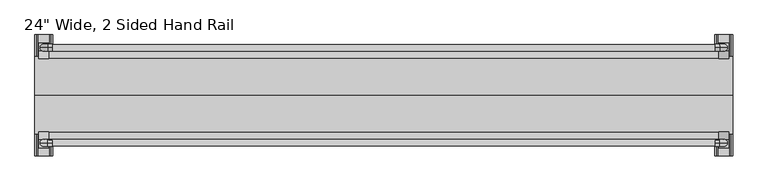
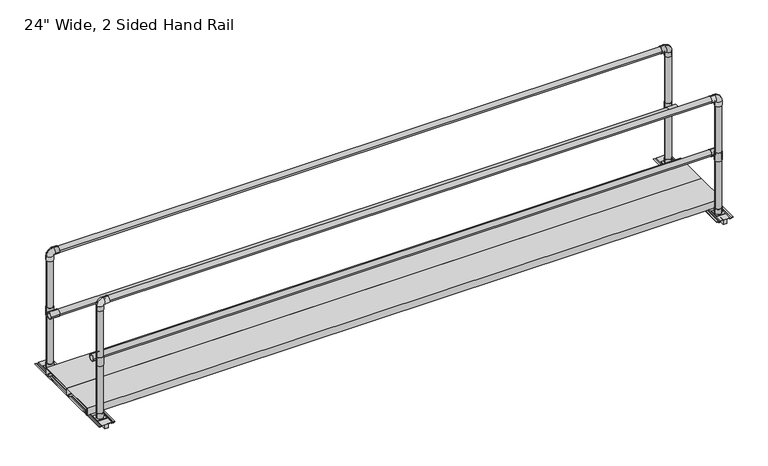
"""IFC4 building model written with IfcOpenShell, lengths in millimetres: proxy geometry."""

import ifcopenshell
import ifcopenshell.guid

model = None  # the IFC model being written
_history = None  # IfcOwnerHistory: only IFC2X3 demands one
_inside = {}  # id of a spatial element -> (the spatial element, [elements in it])
_under = {}  # id of a project, library or spatial element -> (it, [spatial elements below it])
_declared = {}  # id of a project -> (the project, [libraries it declares])
_typed = {}  # id of a type object -> (the type object, [elements of that type])
_made_of = {}  # id of a material, layer set ... -> (it, [elements and type objects made of it])


def new_model(schema):
    """Start an empty IFC model of exactly this schema.

    Asked for "IFC4X3", IfcOpenShell would pick the latest addendum, in which some entities
    have other attributes; the version numbers below select the first issue.
    IFC2X3 requires an IfcOwnerHistory on every rooted entity: one is made here for all.
    """
    global model, _history
    if schema == "IFC4X3":
        model = ifcopenshell.file(schema_version=(4, 3, 0, 0))
    else:
        model = ifcopenshell.file(schema=schema)
    _inside.clear()
    _under.clear()
    _declared.clear()
    _typed.clear()
    _made_of.clear()
    _history = None
    if model.schema == "IFC2X3":
        org = make("IfcOrganization", Name="unknown")
        user = make(
            "IfcPersonAndOrganization",
            ThePerson=make("IfcPerson", FamilyName="unknown"),
            TheOrganization=org,
        )
        app = make(
            "IfcApplication",
            ApplicationDeveloper=org,
            Version="unknown",
            ApplicationFullName="unknown",
            ApplicationIdentifier="unknown",
        )
        _history = make(
            "IfcOwnerHistory",
            OwningUser=user,
            OwningApplication=app,
            ChangeAction="ADDED",
            CreationDate=0,
        )
    return model


def make(cls, **values):
    """One entity of the class cls with the attributes given. An attribute that is None is left unset."""
    return model.create_entity(
        cls, **{name: value for name, value in values.items() if value is not None}
    )


def rooted(cls, **values):
    """An entity with a GlobalId (a new one), such as an element, a storey or a relation."""
    return make(cls, GlobalId=ifcopenshell.guid.new(), OwnerHistory=_history, **values)


def si_unit(unit_type, name, prefix=None):
    """IfcSIUnit, for example si_unit("LENGTHUNIT", "METRE", prefix="MILLI")."""
    return make("IfcSIUnit", UnitType=unit_type, Prefix=prefix, Name=name)


def assignment(units):
    """IfcUnitAssignment: the units of a project."""
    return None if units is None else make("IfcUnitAssignment", Units=units)


def point(xyz):
    """IfcCartesianPoint."""
    return None if xyz is None else make("IfcCartesianPoint", Coordinates=xyz)


def direction(xyz):
    """IfcDirection."""
    return None if xyz is None else make("IfcDirection", DirectionRatios=xyz)


def frame(location, z_axis=None, x_axis=None):
    """IfcAxis2Placement3D, a coordinate frame: its origin and axes. An axis left out is left unset."""
    return make(
        "IfcAxis2Placement3D",
        Location=point(location),
        Axis=direction(z_axis),
        RefDirection=direction(x_axis),
    )


def frame_2d(location, x_axis=None):
    """IfcAxis2Placement2D, a coordinate frame in the plane: its origin and x axis."""
    return make(
        "IfcAxis2Placement2D", Location=point(location), RefDirection=direction(x_axis)
    )


def origin():
    """The frame at (0, 0, 0) with its axes left unset."""
    return frame((0.0, 0.0, 0.0))


def place(relative_to, where):
    """IfcLocalPlacement: puts the frame where relative to a parent placement (None: the world)."""
    return make(
        "IfcLocalPlacement", PlacementRelTo=relative_to, RelativePlacement=where
    )


def context(
    kind, dimensions, precision=None, world=None, true_north=None, identifier=None
):
    """IfcGeometricRepresentationContext, for example the 3D "Model" context."""
    return make(
        "IfcGeometricRepresentationContext",
        ContextIdentifier=identifier,
        ContextType=kind,
        CoordinateSpaceDimension=dimensions,
        Precision=precision,
        WorldCoordinateSystem=world,
        TrueNorth=true_north,
    )


def project(units=None, contexts=None):
    """IfcProject with its units and contexts."""
    return rooted(
        "IfcProject",
        Name="project",
        RepresentationContexts=contexts,
        UnitsInContext=assignment(units),
    )


def spatial(cls, under=None, at=None, **own):
    """A site, building, storey or space (cls), placed at a placement, below another one or the project."""
    s = rooted(cls, ObjectPlacement=at, **own)
    if under is not None:
        _under.setdefault(under.id(), (under, []))[1].append(s)
    return s


def polyline(points):
    """IfcPolyline through the points."""
    return make("IfcPolyline", Points=[point(p) for p in points])


def circle_curve(where, radius):
    """IfcCircle in the frame where."""
    return make("IfcCircle", Position=where, Radius=radius)


def ellipse_curve(where, semi_axis1, semi_axis2):
    """IfcEllipse in the frame where."""
    return make(
        "IfcEllipse", Position=where, SemiAxis1=semi_axis1, SemiAxis2=semi_axis2
    )


def trimmed(basis, trim1, trim2, sense, master):
    """IfcTrimmedCurve: the piece of a basis curve between two trims."""
    return make(
        "IfcTrimmedCurve",
        BasisCurve=basis,
        Trim1=trim1,
        Trim2=trim2,
        SenseAgreement=sense,
        MasterRepresentation=master,
    )


def segment(curve, same_sense, transition):
    """IfcCompositeCurveSegment."""
    return make(
        "IfcCompositeCurveSegment",
        Transition=transition,
        SameSense=same_sense,
        ParentCurve=curve,
    )


def composite_curve(segments, self_intersect=None):
    """IfcCompositeCurve: segments joined end to end."""
    return make("IfcCompositeCurve", Segments=segments, SelfIntersect=self_intersect)


def outline(outer, holes=None, kind="AREA"):
    """IfcArbitraryClosedProfileDef: a profile drawn as a closed curve; with holes, ...WithVoids."""
    if holes is None:
        return make("IfcArbitraryClosedProfileDef", ProfileType=kind, OuterCurve=outer)
    return make(
        "IfcArbitraryProfileDefWithVoids",
        ProfileType=kind,
        OuterCurve=outer,
        InnerCurves=holes,
    )


def extrude(swept, where, along, depth):
    """IfcExtrudedAreaSolid: the profile swept, set in the frame where, extruded along a direction by depth."""
    return make(
        "IfcExtrudedAreaSolid",
        SweptArea=swept,
        Position=where,
        ExtrudedDirection=direction(along),
        Depth=depth,
    )


def shape(context_of_items, identifier, shape_type, items):
    """IfcShapeRepresentation: the items that make up one representation, for example the "Body"."""
    return make(
        "IfcShapeRepresentation",
        ContextOfItems=context_of_items,
        RepresentationIdentifier=identifier,
        RepresentationType=shape_type,
        Items=items,
    )


def source(mapping_origin, context_of_items, identifier, shape_type, items):
    """IfcRepresentationMap: a shape defined once, which mapped items show again and again."""
    return make(
        "IfcRepresentationMap",
        MappingOrigin=mapping_origin,
        MappedRepresentation=shape(context_of_items, identifier, shape_type, items),
    )


def transform(
    local_origin,
    x_axis=None,
    y_axis=None,
    z_axis=None,
    scale=None,
    scale2=None,
    scale3=None,
    uniform=True,
):
    """IfcCartesianTransformationOperator3D, or its non-uniform kind. x_axis, y_axis, z_axis: its Axis1, 2, 3."""
    if uniform:
        return make(
            "IfcCartesianTransformationOperator3D",
            Axis1=direction(x_axis),
            Axis2=direction(y_axis),
            LocalOrigin=point(local_origin),
            Scale=scale,
            Axis3=direction(z_axis),
        )
    return make(
        "IfcCartesianTransformationOperator3DnonUniform",
        Axis1=direction(x_axis),
        Axis2=direction(y_axis),
        LocalOrigin=point(local_origin),
        Scale=scale,
        Axis3=direction(z_axis),
        Scale2=scale2,
        Scale3=scale3,
    )


def mapped(mapping_source, mapping_target):
    """IfcMappedItem: shows the shape of a source again, moved by a transform."""
    return make(
        "IfcMappedItem", MappingSource=mapping_source, MappingTarget=mapping_target
    )


def made_of(thing, what):
    """Note that an element or type object is made of a material, layer set ...; save() writes the relation."""
    if what is not None:
        _made_of.setdefault(what.id(), (what, []))[1].append(thing)
    return thing


def element(
    cls,
    number,
    at=None,
    inside=None,
    cuts=None,
    type_object=None,
    material=None,
    context=None,
    identifier="Body",
    shape_type=None,
    held_by="IfcProductDefinitionShape",
    body=None,
    shapes=None,
    **own,
):
    """One element of the class cls, such as IfcWall. Its Tag is "e" and its number.

    at: its placement. inside: the storey or other place that contains it. cuts: it is an
    opening in that element (IfcRelVoidsElement). A single representation is given by context,
    identifier, shape_type and body (its items); several are given by shapes. held_by: the class
    of the entity that holds the representations. save() writes the other relations.
    """
    e = rooted(cls, Tag="e%d" % number, ObjectPlacement=at, **own)
    if body is not None:
        shapes = [shape(context, identifier, shape_type, body)]
    if shapes is not None:
        e.Representation = make(held_by, Representations=shapes)
    if inside is not None:
        _inside.setdefault(inside.id(), (inside, []))[1].append(e)
    if cuts is not None:
        rooted(
            "IfcRelVoidsElement", RelatingBuildingElement=cuts, RelatedOpeningElement=e
        )
    if type_object is not None:
        _typed.setdefault(type_object.id(), (type_object, []))[1].append(e)
    return made_of(e, material)


def aggregate(whole, parts):
    """IfcRelAggregates: a whole, such as a stair, and the parts it consists of."""
    return rooted("IfcRelAggregates", RelatingObject=whole, RelatedObjects=parts)


def save(model, path):
    """Write the relations noted so far, then the file.

    IfcRelAggregates (storeys below a building ...), IfcRelContainedInSpatialStructure (elements
    in a storey), IfcRelDefinesByType, IfcRelAssociatesMaterial and IfcRelDeclares: one each for
    every whole, place, type object, material and project.
    """
    for whole, parts in _under.values():
        aggregate(whole, parts)
    for where, things in _inside.values():
        rooted(
            "IfcRelContainedInSpatialStructure",
            RelatedElements=things,
            RelatingStructure=where,
        )
    for kind, things in _typed.values():
        rooted("IfcRelDefinesByType", RelatedObjects=things, RelatingType=kind)
    for what, things in _made_of.values():
        rooted("IfcRelAssociatesMaterial", RelatedObjects=things, RelatingMaterial=what)
    for by, libraries in _declared.values():
        rooted("IfcRelDeclares", RelatingContext=by, RelatedDefinitions=libraries)
    model.write(path)


def plane_surface(at):
    """IfcPlane: the flat surface through the origin of the frame at, square to its z axis."""
    return make("IfcPlane", Position=at)


def cylinder_surface(at, radius):
    """IfcCylindricalSurface: all points at the distance radius from the z axis of the frame at."""
    return make("IfcCylindricalSurface", Position=at, Radius=radius)


def revolved_surface(curve, axis_point, axis_direction):
    """IfcSurfaceOfRevolution: the curve turned about the line through axis_point along axis_direction."""
    return make(
        "IfcSurfaceOfRevolution",
        SweptCurve=make("IfcArbitraryOpenProfileDef", ProfileType="CURVE", Curve=curve),
        AxisPosition=make("IfcAxis1Placement", Location=point(axis_point), Axis=direction(axis_direction)),
    )


def advanced_brep(points, edges, surfaces, faces):
    """IfcAdvancedBrep: a solid bounded by faces that lie on surfaces and meet in shared edges.

    An edge is (start, end): straight between two places in points (the first is 0);
    or (start, end, curve); or (start, end, curve, False) where it runs against its curve.
    A face is (place in surfaces, loops), or (place, loops, False) where it looks against
    its surface's normal. A loop lists edges by number (the first is 1), with a minus sign
    where the edge is run from its end to its start. The first loop is the outer one.
    """
    corners = [point(p) for p in points]
    vertices = [make("IfcVertexPoint", VertexGeometry=c) for c in corners]
    made = []
    for start, end, *more in edges:
        made.append(
            make(
                "IfcEdgeCurve",
                EdgeStart=vertices[start],
                EdgeEnd=vertices[end],
                EdgeGeometry=more[0] if more else make("IfcPolyline", Points=[corners[start], corners[end]]),
                SameSense=more[1] if len(more) > 1 else True,
            )
        )
    hull = []
    for where, loops, *sense in faces:
        bounds = []
        for j, loop in enumerate(loops):
            ring = [make("IfcOrientedEdge", EdgeElement=made[abs(k) - 1], Orientation=k > 0) for k in loop]
            bounds.append(
                make(
                    "IfcFaceOuterBound" if j == 0 else "IfcFaceBound",
                    Bound=make("IfcEdgeLoop", EdgeList=ring),
                    Orientation=True,
                )
            )
        hull.append(make("IfcAdvancedFace", Bounds=bounds, FaceSurface=surfaces[where], SameSense=sense[0] if sense else True))
    return make("IfcAdvancedBrep", Outer=make("IfcClosedShell", CfsFaces=hull))


def proxy_fb70e37e(model_context):
    return source(origin(), model_context, "Body", "SolidModel", [
        extrude(outline(composite_curve([segment(trimmed(circle_curve(frame_2d((5416.55, 374.65)), 28.575), [point((5387.975, 374.65))], [point((5445.125, 374.65))], False, "CARTESIAN"), True, "CONTINUOUS"), segment(trimmed(circle_curve(frame_2d((5416.55, 374.65)), 28.575), [point((5445.125, 374.65))], [point((5387.975, 374.65))], False, "CARTESIAN"), True, "CONTINUOUS")], self_intersect=False), holes=[composite_curve([segment(trimmed(circle_curve(frame_2d((5416.55, 374.65)), 25.4), [point((5391.15, 374.65))], [point((5441.95, 374.65))], True, "CARTESIAN"), True, "CONTINUOUS"), segment(trimmed(circle_curve(frame_2d((5416.55, 374.65)), 25.4), [point((5441.95, 374.65))], [point((5391.15, 374.65))], True, "CARTESIAN"), True, "CONTINUOUS")], self_intersect=False)]), frame((0.0, 0.0, 4590.9507813), z_axis=(0.0, 0.0, 1.0), x_axis=(1.0, 0.0, 0.0)), (0.0, 0.0, 1.0), 50.8),
        extrude(outline(composite_curve([segment(trimmed(circle_curve(frame_2d((5416.55, -374.65)), 28.575), [point((5387.975, -374.65))], [point((5445.125, -374.65))], False, "CARTESIAN"), True, "CONTINUOUS"), segment(trimmed(circle_curve(frame_2d((5416.55, -374.65)), 28.575), [point((5445.125, -374.65))], [point((5387.975, -374.65))], False, "CARTESIAN"), True, "CONTINUOUS")], self_intersect=False), holes=[composite_curve([segment(trimmed(circle_curve(frame_2d((5416.55, -374.65)), 25.4), [point((5391.15, -374.65))], [point((5441.95, -374.65))], True, "CARTESIAN"), True, "CONTINUOUS"), segment(trimmed(circle_curve(frame_2d((5416.55, -374.65)), 25.4), [point((5441.95, -374.65))], [point((5391.15, -374.65))], True, "CARTESIAN"), True, "CONTINUOUS")], self_intersect=False)]), frame((0.0, 0.0, 4590.9507813), z_axis=(0.0, 0.0, 1.0), x_axis=(1.0, 0.0, 0.0)), (0.0, 0.0, 1.0), 50.8),
        extrude(outline(polyline([(5378.45, 336.55), (5378.45, 412.75), (5454.65, 412.75), (5454.65, 336.55), (5378.45, 336.55)])), frame((0.0, 0.0, 4590.9507813), z_axis=(0.0, 0.0, 1.0), x_axis=(1.0, 0.0, 0.0)), (0.0, 0.0, 1.0), 4.7625),
        extrude(outline(polyline([(5378.45, -412.75), (5378.45, -336.55), (5454.65, -336.55), (5454.65, -412.75), (5378.45, -412.75)])), frame((0.0, 0.0, 4590.9507813), z_axis=(0.0, 0.0, 1.0), x_axis=(1.0, 0.0, 0.0)), (0.0, 0.0, 1.0), 4.7625),
        extrude(outline(polyline([(4589.3632812, 5375.671875), (4589.3632812, 5457.428125), (4583.0132812, 5457.428125), (4583.0132812, 5476.478125), (4589.3632812, 5476.478125), (4589.3632812, 5486.4), (4590.9507812, 5486.4), (4590.9507812, 5474.890625), (4584.6007812, 5474.890625), (4584.6007812, 5459.015625), (4590.9507812, 5459.015625), (4590.9507812, 5374.084375), (4584.6007812, 5374.084375), (4584.6007812, 5358.209375), (4590.9507812, 5358.209375), (4590.9507812, 5346.7), (4589.3632812, 5346.7), (4589.3632812, 5356.621875), (4583.0132812, 5356.621875), (4583.0132812, 5375.671875), (4589.3632812, 5375.671875)])), frame((0.0, -476.25, 0.0), z_axis=(0.0, 1.0, 0.0), x_axis=(0.0, 0.0, 1.0)), (0.0, 0.0, 1.0), 952.5),
        extrude(outline(polyline([(5431.63125, 438.15), (5401.46875, 438.15), (5401.46875, 476.25), (5431.63125, 476.25), (5431.63125, 438.15)])), frame((0.0, 0.0, 4551.2632812), z_axis=(0.0, 0.0, 1.0), x_axis=(1.0, 0.0, 0.0)), (0.0, 0.0, 1.0), 38.1),
        extrude(outline(polyline([(5431.63125, -476.25), (5401.46875, -476.25), (5401.46875, -438.15), (5431.63125, -438.15), (5431.63125, -476.25)])), frame((0.0, 0.0, 4551.2632812), z_axis=(0.0, 0.0, 1.0), x_axis=(1.0, 0.0, 0.0)), (0.0, 0.0, 1.0), 38.1),
        extrude(outline(composite_curve([segment(trimmed(circle_curve(frame_2d((5416.55, 374.65)), 25.4), [point((5391.15, 374.65))], [point((5441.95, 374.65))], False, "CARTESIAN"), True, "CONTINUOUS"), segment(trimmed(circle_curve(frame_2d((5416.55, 374.65)), 25.4), [point((5441.95, 374.65))], [point((5391.15, 374.65))], False, "CARTESIAN"), True, "CONTINUOUS")], self_intersect=False)), frame((0.0, 0.0, 4590.9507813), z_axis=(0.0, 0.0, 1.0), x_axis=(1.0, 0.0, 0.0)), (0.0, 0.0, 1.0), 1030.2875),
        extrude(outline(composite_curve([segment(trimmed(circle_curve(frame_2d((5416.55, -374.65)), 25.4), [point((5391.15, -374.65))], [point((5441.95, -374.65))], False, "CARTESIAN"), True, "CONTINUOUS"), segment(trimmed(circle_curve(frame_2d((5416.55, -374.65)), 25.4), [point((5441.95, -374.65))], [point((5391.15, -374.65))], False, "CARTESIAN"), True, "CONTINUOUS")], self_intersect=False)), frame((0.0, 0.0, 4590.9507813), z_axis=(0.0, 0.0, 1.0), x_axis=(1.0, 0.0, 0.0)), (0.0, 0.0, 1.0), 1030.2875),
        advanced_brep(
        [(5387.975, -374.65, 5581.5507813), (5445.125, -374.65, 5581.5507813), (5391.15, -374.65, 5581.5507813), (5441.95, -374.65, 5581.5507813), (5391.15, -374.65, 5619.6507813), (5441.95, -374.65, 5619.6507813), (5387.975, -374.65, 5619.6507813), (5445.125, -374.65, 5619.6507813), (5386.3875, -374.65, 5675.2132812), (5386.3875, -374.65, 5624.4132813), (5386.3875, -374.65, 5678.3882812), (5386.3875, -374.65, 5621.2382813), (5348.2875, -374.65, 5621.2382813), (5348.2875, -374.65, 5678.3882812), (5348.2875, -374.65, 5624.4132813), (5348.2875, -374.65, 5675.2132812)],
        [
            (0, 1, circle_curve(frame((5416.55, -374.65, 5581.5507813), z_axis=(0.0, 0.0, -1.0), x_axis=(1.0, 0.0, 0.0)), 28.575)),
            (1, 0, circle_curve(frame((5416.55, -374.65, 5581.5507813), z_axis=(0.0, 0.0, -1.0), x_axis=(1.0, 0.0, 0.0)), 28.575)),
            (2, 3, circle_curve(frame((5416.55, -374.65, 5581.5507813), z_axis=(0.0, 0.0, 1.0), x_axis=(1.0, 0.0, 0.0)), 25.4)),
            (3, 2, circle_curve(frame((5416.55, -374.65, 5581.5507813), z_axis=(0.0, 0.0, 1.0), x_axis=(1.0, 0.0, 0.0)), 25.4)),
            (2, 4),
            (4, 5, circle_curve(frame((5416.55, -374.65, 5619.6507813), z_axis=(0.0, 0.0, 1.0), x_axis=(1.0, 0.0, 0.0)), 25.4)),
            (5, 3),
            (5, 4, circle_curve(frame((5416.55, -374.65, 5619.6507813), z_axis=(0.0, 0.0, 1.0), x_axis=(1.0, 0.0, 0.0)), 25.4)),
            (0, 6),
            (6, 7, circle_curve(frame((5416.55, -374.65, 5619.6507813), z_axis=(0.0, 0.0, -1.0), x_axis=(1.0, 0.0, 0.0)), 28.575)),
            (7, 1),
            (7, 6, circle_curve(frame((5416.55, -374.65, 5619.6507813), z_axis=(0.0, 0.0, -1.0), x_axis=(1.0, 0.0, 0.0)), 28.575)),
            (8, 5, circle_curve(frame((5386.3875, -374.65, 5619.6507813), z_axis=(0.0, 1.0, 0.0), x_axis=(1.0, 0.0, 0.0)), 55.5625)),
            (4, 9, circle_curve(frame((5386.3875, -374.65, 5619.6507813), z_axis=(0.0, -1.0, 0.0), x_axis=(1.0, 0.0, 0.0)), 4.7625)),
            (9, 8, circle_curve(frame((5386.3875, -374.65, 5649.8132813), z_axis=(-1.0, 0.0, 0.0), x_axis=(0.0, 0.0, 1.0)), 25.4)),
            (8, 9, circle_curve(frame((5386.3875, -374.65, 5649.8132813), z_axis=(-1.0, 0.0, 0.0), x_axis=(0.0, 0.0, 1.0)), 25.4)),
            (10, 7, circle_curve(frame((5386.3875, -374.65, 5619.6507813), z_axis=(0.0, 1.0, 0.0), x_axis=(1.0, 0.0, 0.0)), 58.7375)),
            (6, 11, circle_curve(frame((5386.3875, -374.65, 5619.6507813), z_axis=(0.0, -1.0, 0.0), x_axis=(1.0, 0.0, 0.0)), 1.5875)),
            (11, 10, circle_curve(frame((5386.3875, -374.65, 5649.8132813), z_axis=(1.0, 0.0, 0.0), x_axis=(0.0, 0.0, 1.0)), 28.575)),
            (10, 11, circle_curve(frame((5386.3875, -374.65, 5649.8132813), z_axis=(1.0, 0.0, 0.0), x_axis=(0.0, 0.0, 1.0)), 28.575)),
            (12, 13, circle_curve(frame((5348.2875, -374.65, 5649.8132813), z_axis=(-1.0, 0.0, 0.0), x_axis=(0.0, 0.0, 1.0)), 28.575)),
            (13, 12, circle_curve(frame((5348.2875, -374.65, 5649.8132813), z_axis=(-1.0, 0.0, 0.0), x_axis=(0.0, 0.0, 1.0)), 28.575)),
            (14, 15, circle_curve(frame((5348.2875, -374.65, 5649.8132813), z_axis=(1.0, 0.0, 0.0), x_axis=(0.0, 0.0, 1.0)), 25.4)),
            (15, 14, circle_curve(frame((5348.2875, -374.65, 5649.8132813), z_axis=(1.0, 0.0, 0.0), x_axis=(0.0, 0.0, 1.0)), 25.4)),
            (9, 14),
            (15, 8),
            (11, 12),
            (13, 10),
        ],
        [
            plane_surface(frame((5416.55, -374.65, 5581.5507813), z_axis=(0.0, 0.0, -1.0), x_axis=(0.0, 1.0, 0.0))),
            revolved_surface(polyline([(5441.95, -374.65, 5619.6507813), (5441.95, -374.65, 5581.5507813)]), (5416.55, -374.65, 5581.5507813), (0.0, 0.0, 1.0)),
            cylinder_surface(frame((5416.55, -374.65, 5581.5507813), z_axis=(0.0, 0.0, -1.0), x_axis=(1.0, 0.0, 0.0)), 28.575),
            revolved_surface(trimmed(ellipse_curve(frame((5416.55, -374.65, 5619.6507813), z_axis=(0.0, 0.0, 1.0), x_axis=(1.0, 0.0, 0.0)), 25.4, 25.4), [point((5391.15, -374.65, 5619.6507813))], [point((5441.95, -374.65, 5619.6507813))], True, "CARTESIAN"), (5386.3875, -374.65, 5619.6507813), (0.0, -1.0, 0.0)),
            revolved_surface(trimmed(ellipse_curve(frame((5416.55, -374.65, 5619.6507813), z_axis=(0.0, 0.0, 1.0), x_axis=(1.0, 0.0, 0.0)), 25.4, 25.4), [point((5441.95, -374.65, 5619.6507813))], [point((5391.15, -374.65, 5619.6507813))], True, "CARTESIAN"), (5386.3875, -374.65, 5619.6507813), (0.0, -1.0, 0.0)),
            revolved_surface(trimmed(ellipse_curve(frame((5416.55, -374.65, 5619.6507813), z_axis=(0.0, 0.0, -1.0), x_axis=(1.0, 0.0, 0.0)), 28.575, 28.575), [point((5387.975, -374.65, 5619.6507813))], [point((5445.125, -374.65, 5619.6507813))], True, "CARTESIAN"), (5386.3875, -374.65, 5619.6507813), (0.0, -1.0, 0.0)),
            revolved_surface(trimmed(ellipse_curve(frame((5416.55, -374.65, 5619.6507813), z_axis=(0.0, 0.0, -1.0), x_axis=(1.0, 0.0, 0.0)), 28.575, 28.575), [point((5445.125, -374.65, 5619.6507813))], [point((5387.975, -374.65, 5619.6507813))], True, "CARTESIAN"), (5386.3875, -374.65, 5619.6507813), (0.0, -1.0, 0.0)),
            plane_surface(frame((5348.2875, -374.65, 5649.8132813), z_axis=(-1.0, 0.0, 0.0), x_axis=(0.0, 1.0, 0.0))),
            revolved_surface(polyline([(5348.2875, -374.65, 5675.2132813), (5386.3875, -374.65, 5675.2132813)]), (5386.3875, -374.65, 5649.8132813), (-1.0, 0.0, 0.0)),
            cylinder_surface(frame((5386.3875, -374.65, 5649.8132813), z_axis=(1.0, 0.0, 0.0), x_axis=(0.0, 0.0, 1.0)), 28.575),
        ],
        [
            (0, [[1, 2], [3, 4]]),
            (1, [[-3, 5, 6, 7]]),
            (1, [[-4, -7, 8, -5]]),
            (2, [[-1, 9, 10, 11]]),
            (2, [[-2, -11, 12, -9]]),
            (3, [[13, -6, 14, 15]]),
            (4, [[-14, -8, -13, 16]]),
            (5, [[17, -10, 18, 19]]),
            (6, [[-18, -12, -17, 20]]),
            (7, [[21, 22], [23, 24]]),
            (8, [[-15, 25, -24, 26]]),
            (8, [[-16, -26, -23, -25]]),
            (9, [[-19, 27, -22, 28]]),
            (9, [[-20, -28, -21, -27]]),
        ],
    ),
        advanced_brep(
        [(5348.2875, 374.65, 5621.2382813), (5348.2875, 374.65, 5678.3882812), (5348.2875, 374.65, 5624.4132813), (5348.2875, 374.65, 5675.2132812), (5386.3875, 374.65, 5624.4132813), (5386.3875, 374.65, 5675.2132812), (5386.3875, 374.65, 5621.2382813), (5386.3875, 374.65, 5678.3882812), (5387.975, 374.65, 5581.5507813), (5445.125, 374.65, 5581.5507813), (5391.15, 374.65, 5581.5507813), (5441.95, 374.65, 5581.5507813), (5441.95, 374.65, 5619.6507813), (5391.15, 374.65, 5619.6507813), (5445.125, 374.65, 5619.6507813), (5387.975, 374.65, 5619.6507813)],
        [
            (0, 1, circle_curve(frame((5348.2875, 374.65, 5649.8132813), z_axis=(-1.0, 0.0, 0.0), x_axis=(0.0, 0.0, 1.0)), 28.575)),
            (1, 0, circle_curve(frame((5348.2875, 374.65, 5649.8132813), z_axis=(-1.0, 0.0, 0.0), x_axis=(0.0, 0.0, 1.0)), 28.575)),
            (2, 3, circle_curve(frame((5348.2875, 374.65, 5649.8132813), z_axis=(1.0, 0.0, 0.0), x_axis=(0.0, 0.0, 1.0)), 25.4)),
            (3, 2, circle_curve(frame((5348.2875, 374.65, 5649.8132813), z_axis=(1.0, 0.0, 0.0), x_axis=(0.0, 0.0, 1.0)), 25.4)),
            (2, 4),
            (4, 5, circle_curve(frame((5386.3875, 374.65, 5649.8132813), z_axis=(1.0, 0.0, 0.0), x_axis=(0.0, 0.0, 1.0)), 25.4)),
            (5, 3),
            (5, 4, circle_curve(frame((5386.3875, 374.65, 5649.8132813), z_axis=(1.0, 0.0, 0.0), x_axis=(0.0, 0.0, 1.0)), 25.4)),
            (0, 6),
            (6, 7, circle_curve(frame((5386.3875, 374.65, 5649.8132813), z_axis=(-1.0, 0.0, 0.0), x_axis=(0.0, 0.0, 1.0)), 28.575)),
            (7, 1),
            (7, 6, circle_curve(frame((5386.3875, 374.65, 5649.8132813), z_axis=(-1.0, 0.0, 0.0), x_axis=(0.0, 0.0, 1.0)), 28.575)),
            (8, 9, circle_curve(frame((5416.55, 374.65, 5581.5507813), z_axis=(0.0, 0.0, -1.0), x_axis=(1.0, 0.0, 0.0)), 28.575)),
            (9, 8, circle_curve(frame((5416.55, 374.65, 5581.5507813), z_axis=(0.0, 0.0, -1.0), x_axis=(1.0, 0.0, 0.0)), 28.575)),
            (10, 11, circle_curve(frame((5416.55, 374.65, 5581.5507813), z_axis=(0.0, 0.0, 1.0), x_axis=(1.0, 0.0, 0.0)), 25.4)),
            (11, 10, circle_curve(frame((5416.55, 374.65, 5581.5507813), z_axis=(0.0, 0.0, 1.0), x_axis=(1.0, 0.0, 0.0)), 25.4)),
            (12, 13, circle_curve(frame((5416.55, 374.65, 5619.6507813), z_axis=(0.0, 0.0, 1.0), x_axis=(1.0, 0.0, 0.0)), 25.4)),
            (13, 10),
            (11, 12),
            (13, 12, circle_curve(frame((5416.55, 374.65, 5619.6507813), z_axis=(0.0, 0.0, 1.0), x_axis=(1.0, 0.0, 0.0)), 25.4)),
            (14, 15, circle_curve(frame((5416.55, 374.65, 5619.6507813), z_axis=(0.0, 0.0, -1.0), x_axis=(1.0, 0.0, 0.0)), 28.575)),
            (15, 8),
            (9, 14),
            (15, 14, circle_curve(frame((5416.55, 374.65, 5619.6507813), z_axis=(0.0, 0.0, -1.0), x_axis=(1.0, 0.0, 0.0)), 28.575)),
            (12, 5, circle_curve(frame((5386.3875, 374.65, 5619.6507813), z_axis=(0.0, -1.0, 0.0), x_axis=(0.0, 0.0, 1.0)), 55.5625)),
            (4, 13, circle_curve(frame((5386.3875, 374.65, 5619.6507813), z_axis=(0.0, 1.0, 0.0), x_axis=(0.0, 0.0, 1.0)), 4.7625)),
            (14, 7, circle_curve(frame((5386.3875, 374.65, 5619.6507813), z_axis=(0.0, -1.0, 0.0), x_axis=(0.0, 0.0, 1.0)), 58.7375)),
            (6, 15, circle_curve(frame((5386.3875, 374.65, 5619.6507813), z_axis=(0.0, 1.0, 0.0), x_axis=(0.0, 0.0, 1.0)), 1.5875)),
        ],
        [
            plane_surface(frame((5348.2875, 374.65, 5649.8132813), z_axis=(-1.0, 0.0, 0.0), x_axis=(0.0, -1.0, 0.0))),
            revolved_surface(polyline([(5386.3875, 374.65, 5675.2132813), (5348.2875, 374.65, 5675.2132813)]), (5348.2875, 374.65, 5649.8132813), (1.0, 0.0, 0.0)),
            cylinder_surface(frame((5348.2875, 374.65, 5649.8132813), z_axis=(-1.0, 0.0, 0.0), x_axis=(0.0, 0.0, 1.0)), 28.575),
            plane_surface(frame((5416.55, 374.65, 5581.5507813), z_axis=(0.0, 0.0, -1.0), x_axis=(0.0, -1.0, 0.0))),
            revolved_surface(polyline([(5441.95, 374.65, 5581.5507813), (5441.95, 374.65, 5619.6507813)]), (5416.55, 374.65, 5619.6507813), (0.0, 0.0, -1.0)),
            cylinder_surface(frame((5416.55, 374.65, 5619.6507813), z_axis=(0.0, 0.0, 1.0), x_axis=(1.0, 0.0, 0.0)), 28.575),
            revolved_surface(trimmed(ellipse_curve(frame((5386.3875, 374.65, 5649.8132813), z_axis=(1.0, 0.0, 0.0), x_axis=(0.0, 0.0, 1.0)), 25.4, 25.4), [point((5386.3875, 374.65, 5624.4132813))], [point((5386.3875, 374.65, 5675.2132812))], True, "CARTESIAN"), (5386.3875, 374.65, 5619.6507813), (0.0, 1.0, 0.0)),
            revolved_surface(trimmed(ellipse_curve(frame((5386.3875, 374.65, 5649.8132813), z_axis=(1.0, 0.0, 0.0), x_axis=(0.0, 0.0, 1.0)), 25.4, 25.4), [point((5386.3875, 374.65, 5675.2132812))], [point((5386.3875, 374.65, 5624.4132813))], True, "CARTESIAN"), (5386.3875, 374.65, 5619.6507813), (0.0, 1.0, 0.0)),
            revolved_surface(trimmed(ellipse_curve(frame((5386.3875, 374.65, 5649.8132813), z_axis=(-1.0, 0.0, 0.0), x_axis=(0.0, 0.0, 1.0)), 28.575, 28.575), [point((5386.3875, 374.65, 5621.2382813))], [point((5386.3875, 374.65, 5678.3882812))], True, "CARTESIAN"), (5386.3875, 374.65, 5619.6507813), (0.0, 1.0, 0.0)),
            revolved_surface(trimmed(ellipse_curve(frame((5386.3875, 374.65, 5649.8132813), z_axis=(-1.0, 0.0, 0.0), x_axis=(0.0, 0.0, 1.0)), 28.575, 28.575), [point((5386.3875, 374.65, 5678.3882812))], [point((5386.3875, 374.65, 5621.2382813))], True, "CARTESIAN"), (5386.3875, 374.65, 5619.6507813), (0.0, 1.0, 0.0)),
        ],
        [
            (0, [[1, 2], [3, 4]]),
            (1, [[-3, 5, 6, 7]]),
            (1, [[-4, -7, 8, -5]]),
            (2, [[-1, 9, 10, 11]]),
            (2, [[-2, -11, 12, -9]]),
            (3, [[13, 14], [15, 16]]),
            (4, [[17, 18, -16, 19]]),
            (4, [[20, -19, -15, -18]]),
            (5, [[21, 22, -14, 23]]),
            (5, [[24, -23, -13, -22]]),
            (6, [[25, -6, 26, -17]]),
            (7, [[-26, -8, -25, -20]]),
            (8, [[27, -10, 28, -21]]),
            (9, [[-28, -12, -27, -24]]),
        ],
    ),
        extrude(outline(composite_curve([segment(trimmed(circle_curve(frame_2d((317.5, 5116.4132813)), 28.575), [point((346.075, 5116.4132813))], [point((288.925, 5116.4132813))], False, "CARTESIAN"), True, "CONTINUOUS"), segment(trimmed(circle_curve(frame_2d((317.5, 5116.4132813)), 28.575), [point((288.925, 5116.4132813))], [point((346.075, 5116.4132813))], False, "CARTESIAN"), True, "CONTINUOUS")], self_intersect=False), holes=[composite_curve([segment(trimmed(circle_curve(frame_2d((317.5, 5116.4132813)), 25.4), [point((342.9, 5116.4132813))], [point((292.1, 5116.4132813))], True, "CARTESIAN"), True, "CONTINUOUS"), segment(trimmed(circle_curve(frame_2d((317.5, 5116.4132813)), 25.4), [point((292.1, 5116.4132813))], [point((342.9, 5116.4132813))], True, "CARTESIAN"), True, "CONTINUOUS")], self_intersect=False)]), frame((5378.45, 0.0, 0.0), z_axis=(1.0, 0.0, 0.0), x_axis=(0.0, 1.0, 0.0)), (0.0, 0.0, 1.0), 76.2),
        extrude(outline(composite_curve([segment(trimmed(circle_curve(frame_2d((-317.5, 5116.4132813)), 28.575), [point((-288.925, 5116.4132813))], [point((-346.075, 5116.4132813))], False, "CARTESIAN"), True, "CONTINUOUS"), segment(trimmed(circle_curve(frame_2d((-317.5, 5116.4132813)), 28.575), [point((-346.075, 5116.4132813))], [point((-288.925, 5116.4132813))], False, "CARTESIAN"), True, "CONTINUOUS")], self_intersect=False), holes=[composite_curve([segment(trimmed(circle_curve(frame_2d((-317.5, 5116.4132813)), 25.4), [point((-292.1, 5116.4132813))], [point((-342.9, 5116.4132813))], True, "CARTESIAN"), True, "CONTINUOUS"), segment(trimmed(circle_curve(frame_2d((-317.5, 5116.4132813)), 25.4), [point((-342.9, 5116.4132813))], [point((-292.1, 5116.4132813))], True, "CARTESIAN"), True, "CONTINUOUS")], self_intersect=False)]), frame((5378.45, 0.0, 0.0), z_axis=(1.0, 0.0, 0.0), x_axis=(0.0, 1.0, 0.0)), (0.0, 0.0, 1.0), 76.2),
        extrude(outline(composite_curve([segment(trimmed(circle_curve(frame_2d((5416.55, 374.65)), 28.575), [point((5387.975, 374.65))], [point((5445.125, 374.65))], False, "CARTESIAN"), True, "CONTINUOUS"), segment(trimmed(circle_curve(frame_2d((5416.55, 374.65)), 28.575), [point((5445.125, 374.65))], [point((5387.975, 374.65))], False, "CARTESIAN"), True, "CONTINUOUS")], self_intersect=False), holes=[composite_curve([segment(trimmed(circle_curve(frame_2d((5416.55, 374.65)), 25.4), [point((5391.15, 374.65))], [point((5441.95, 374.65))], True, "CARTESIAN"), True, "CONTINUOUS"), segment(trimmed(circle_curve(frame_2d((5416.55, 374.65)), 25.4), [point((5441.95, 374.65))], [point((5391.15, 374.65))], True, "CARTESIAN"), True, "CONTINUOUS")], self_intersect=False)]), frame((0.0, 0.0, 5078.3132812), z_axis=(0.0, 0.0, 1.0), x_axis=(1.0, 0.0, 0.0)), (0.0, 0.0, 1.0), 76.2),
        extrude(outline(composite_curve([segment(trimmed(circle_curve(frame_2d((5416.55, -374.65)), 28.575), [point((5387.975, -374.65))], [point((5445.125, -374.65))], False, "CARTESIAN"), True, "CONTINUOUS"), segment(trimmed(circle_curve(frame_2d((5416.55, -374.65)), 28.575), [point((5445.125, -374.65))], [point((5387.975, -374.65))], False, "CARTESIAN"), True, "CONTINUOUS")], self_intersect=False), holes=[composite_curve([segment(trimmed(circle_curve(frame_2d((5416.55, -374.65)), 25.4), [point((5391.15, -374.65))], [point((5441.95, -374.65))], True, "CARTESIAN"), True, "CONTINUOUS"), segment(trimmed(circle_curve(frame_2d((5416.55, -374.65)), 25.4), [point((5441.95, -374.65))], [point((5391.15, -374.65))], True, "CARTESIAN"), True, "CONTINUOUS")], self_intersect=False)]), frame((0.0, 0.0, 5078.3132812), z_axis=(0.0, 0.0, 1.0), x_axis=(1.0, 0.0, 0.0)), (0.0, 0.0, 1.0), 76.2),
        extrude(outline(composite_curve([segment(trimmed(circle_curve(frame_2d((69.85, -374.65)), 28.575), [point((98.425, -374.65))], [point((41.275, -374.65))], False, "CARTESIAN"), True, "CONTINUOUS"), segment(trimmed(circle_curve(frame_2d((69.85, -374.65)), 28.575), [point((41.275, -374.65))], [point((98.425, -374.65))], False, "CARTESIAN"), True, "CONTINUOUS")], self_intersect=False), holes=[composite_curve([segment(trimmed(circle_curve(frame_2d((69.85, -374.65)), 25.4), [point((95.25, -374.65))], [point((44.45, -374.65))], True, "CARTESIAN"), True, "CONTINUOUS"), segment(trimmed(circle_curve(frame_2d((69.85, -374.65)), 25.4), [point((44.45, -374.65))], [point((95.25, -374.65))], True, "CARTESIAN"), True, "CONTINUOUS")], self_intersect=False)]), frame((0.0, 0.0, 4590.9507812), z_axis=(0.0, 0.0, 1.0), x_axis=(1.0, 0.0, 0.0)), (0.0, 0.0, 1.0), 50.8),
        extrude(outline(composite_curve([segment(trimmed(circle_curve(frame_2d((69.85, 374.65)), 28.575), [point((98.425, 374.65))], [point((41.275, 374.65))], False, "CARTESIAN"), True, "CONTINUOUS"), segment(trimmed(circle_curve(frame_2d((69.85, 374.65)), 28.575), [point((41.275, 374.65))], [point((98.425, 374.65))], False, "CARTESIAN"), True, "CONTINUOUS")], self_intersect=False), holes=[composite_curve([segment(trimmed(circle_curve(frame_2d((69.85, 374.65)), 25.4), [point((95.25, 374.65))], [point((44.45, 374.65))], True, "CARTESIAN"), True, "CONTINUOUS"), segment(trimmed(circle_curve(frame_2d((69.85, 374.65)), 25.4), [point((44.45, 374.65))], [point((95.25, 374.65))], True, "CARTESIAN"), True, "CONTINUOUS")], self_intersect=False)]), frame((0.0, 0.0, 4590.9507812), z_axis=(0.0, 0.0, 1.0), x_axis=(1.0, 0.0, 0.0)), (0.0, 0.0, 1.0), 50.8),
        extrude(outline(polyline([(107.95, -336.55), (107.95, -412.75), (31.75, -412.75), (31.75, -336.55), (107.95, -336.55)])), frame((0.0, 0.0, 4590.9507812), z_axis=(0.0, 0.0, 1.0), x_axis=(1.0, 0.0, 0.0)), (0.0, 0.0, 1.0), 4.7625),
        extrude(outline(polyline([(107.95, 412.75), (107.95, 336.55), (31.75, 336.55), (31.75, 412.75), (107.95, 412.75)])), frame((0.0, 0.0, 4590.9507812), z_axis=(0.0, 0.0, 1.0), x_axis=(1.0, 0.0, 0.0)), (0.0, 0.0, 1.0), 4.7625),
        extrude(outline(polyline([(4589.3632812, 110.728125), (4583.0132812, 110.728125), (4583.0132812, 129.778125), (4589.3632812, 129.778125), (4589.3632812, 139.7), (4590.9507812, 139.7), (4590.9507812, 128.190625), (4584.6007812, 128.190625), (4584.6007812, 112.315625), (4590.9507812, 112.315625), (4590.9507812, 27.384375), (4584.6007812, 27.384375), (4584.6007812, 11.509375), (4590.9507812, 11.509375), (4590.9507812, 0.0), (4589.3632812, 0.0), (4589.3632812, 9.921875), (4583.0132812, 9.921875), (4583.0132812, 28.971875), (4589.3632812, 28.971875), (4589.3632812, 110.728125)])), frame((0.0, -476.25, 0.0), z_axis=(0.0, 1.0, 0.0), x_axis=(0.0, 0.0, 1.0)), (0.0, 0.0, 1.0), 952.5),
        extrude(outline(polyline([(54.76875, -438.15), (84.93125, -438.15), (84.93125, -476.25), (54.76875, -476.25), (54.76875, -438.15)])), frame((0.0, 0.0, 4551.2632812), z_axis=(0.0, 0.0, 1.0), x_axis=(1.0, 0.0, 0.0)), (0.0, 0.0, 1.0), 38.1),
        extrude(outline(polyline([(54.76875, 476.25), (84.93125, 476.25), (84.93125, 438.15), (54.76875, 438.15), (54.76875, 476.25)])), frame((0.0, 0.0, 4551.2632812), z_axis=(0.0, 0.0, 1.0), x_axis=(1.0, 0.0, 0.0)), (0.0, 0.0, 1.0), 38.1),
        extrude(outline(composite_curve([segment(trimmed(circle_curve(frame_2d((69.85, -374.65)), 25.4), [point((95.25, -374.65))], [point((44.45, -374.65))], False, "CARTESIAN"), True, "CONTINUOUS"), segment(trimmed(circle_curve(frame_2d((69.85, -374.65)), 25.4), [point((44.45, -374.65))], [point((95.25, -374.65))], False, "CARTESIAN"), True, "CONTINUOUS")], self_intersect=False)), frame((0.0, 0.0, 4590.9507812), z_axis=(0.0, 0.0, 1.0), x_axis=(1.0, 0.0, 0.0)), (0.0, 0.0, 1.0), 1030.2875),
        extrude(outline(composite_curve([segment(trimmed(circle_curve(frame_2d((69.85, 374.65)), 25.4), [point((95.25, 374.65))], [point((44.45, 374.65))], False, "CARTESIAN"), True, "CONTINUOUS"), segment(trimmed(circle_curve(frame_2d((69.85, 374.65)), 25.4), [point((44.45, 374.65))], [point((95.25, 374.65))], False, "CARTESIAN"), True, "CONTINUOUS")], self_intersect=False)), frame((0.0, 0.0, 4590.9507812), z_axis=(0.0, 0.0, 1.0), x_axis=(1.0, 0.0, 0.0)), (0.0, 0.0, 1.0), 1030.2875),
        advanced_brep(
        [(98.425, 374.65, 5581.5507813), (41.275, 374.65, 5581.5507813), (95.25, 374.65, 5581.5507813), (44.45, 374.65, 5581.5507813), (95.25, 374.65, 5619.6507813), (44.45, 374.65, 5619.6507813), (98.425, 374.65, 5619.6507813), (41.275, 374.65, 5619.6507813), (100.0125, 374.65, 5675.2132812), (100.0125, 374.65, 5624.4132813), (100.0125, 374.65, 5678.3882812), (100.0125, 374.65, 5621.2382813), (138.1125, 374.65, 5621.2382813), (138.1125, 374.65, 5678.3882812), (138.1125, 374.65, 5624.4132813), (138.1125, 374.65, 5675.2132812)],
        [
            (0, 1, circle_curve(frame((69.85, 374.65, 5581.5507813), z_axis=(0.0, 0.0, -1.0), x_axis=(-1.0, 0.0, 0.0)), 28.575)),
            (1, 0, circle_curve(frame((69.85, 374.65, 5581.5507813), z_axis=(0.0, 0.0, -1.0), x_axis=(-1.0, 0.0, 0.0)), 28.575)),
            (2, 3, circle_curve(frame((69.85, 374.65, 5581.5507813), z_axis=(0.0, 0.0, 1.0), x_axis=(-1.0, 0.0, 0.0)), 25.4)),
            (3, 2, circle_curve(frame((69.85, 374.65, 5581.5507813), z_axis=(0.0, 0.0, 1.0), x_axis=(-1.0, 0.0, 0.0)), 25.4)),
            (2, 4),
            (4, 5, circle_curve(frame((69.85, 374.65, 5619.6507813), z_axis=(0.0, 0.0, 1.0), x_axis=(-1.0, 0.0, 0.0)), 25.4)),
            (5, 3),
            (5, 4, circle_curve(frame((69.85, 374.65, 5619.6507813), z_axis=(0.0, 0.0, 1.0), x_axis=(-1.0, 0.0, 0.0)), 25.4)),
            (0, 6),
            (6, 7, circle_curve(frame((69.85, 374.65, 5619.6507813), z_axis=(0.0, 0.0, -1.0), x_axis=(-1.0, 0.0, 0.0)), 28.575)),
            (7, 1),
            (7, 6, circle_curve(frame((69.85, 374.65, 5619.6507813), z_axis=(0.0, 0.0, -1.0), x_axis=(-1.0, 0.0, 0.0)), 28.575)),
            (8, 5, circle_curve(frame((100.0125, 374.65, 5619.6507813), z_axis=(0.0, -1.0, 0.0), x_axis=(-1.0, 0.0, 0.0)), 55.5625)),
            (4, 9, circle_curve(frame((100.0125, 374.65, 5619.6507813), z_axis=(0.0, 1.0, 0.0), x_axis=(-1.0, 0.0, 0.0)), 4.7625)),
            (9, 8, circle_curve(frame((100.0125, 374.65, 5649.8132813), z_axis=(1.0, 0.0, 0.0), x_axis=(0.0, 0.0, 1.0)), 25.4)),
            (8, 9, circle_curve(frame((100.0125, 374.65, 5649.8132813), z_axis=(1.0, 0.0, 0.0), x_axis=(0.0, 0.0, 1.0)), 25.4)),
            (10, 7, circle_curve(frame((100.0125, 374.65, 5619.6507813), z_axis=(0.0, -1.0, 0.0), x_axis=(-1.0, 0.0, 0.0)), 58.7375)),
            (6, 11, circle_curve(frame((100.0125, 374.65, 5619.6507813), z_axis=(0.0, 1.0, 0.0), x_axis=(-1.0, 0.0, 0.0)), 1.5875)),
            (11, 10, circle_curve(frame((100.0125, 374.65, 5649.8132813), z_axis=(-1.0, 0.0, 0.0), x_axis=(0.0, 0.0, 1.0)), 28.575)),
            (10, 11, circle_curve(frame((100.0125, 374.65, 5649.8132813), z_axis=(-1.0, 0.0, 0.0), x_axis=(0.0, 0.0, 1.0)), 28.575)),
            (12, 13, circle_curve(frame((138.1125, 374.65, 5649.8132813), z_axis=(1.0, 0.0, 0.0), x_axis=(0.0, 0.0, 1.0)), 28.575)),
            (13, 12, circle_curve(frame((138.1125, 374.65, 5649.8132813), z_axis=(1.0, 0.0, 0.0), x_axis=(0.0, 0.0, 1.0)), 28.575)),
            (14, 15, circle_curve(frame((138.1125, 374.65, 5649.8132813), z_axis=(-1.0, 0.0, 0.0), x_axis=(0.0, 0.0, 1.0)), 25.4)),
            (15, 14, circle_curve(frame((138.1125, 374.65, 5649.8132813), z_axis=(-1.0, 0.0, 0.0), x_axis=(0.0, 0.0, 1.0)), 25.4)),
            (9, 14),
            (15, 8),
            (11, 12),
            (13, 10),
        ],
        [
            plane_surface(frame((69.85, 374.65, 5581.5507813), z_axis=(0.0, 0.0, -1.0), x_axis=(0.0, -1.0, 0.0))),
            revolved_surface(polyline([(44.449999999999996, 374.65, 5619.6507813), (44.449999999999996, 374.65, 5581.5507813)]), (69.85, 374.65, 5581.5507813), (0.0, 0.0, 1.0)),
            cylinder_surface(frame((69.85, 374.65, 5581.5507813), z_axis=(0.0, 0.0, -1.0), x_axis=(-1.0, 0.0, 0.0)), 28.575),
            revolved_surface(trimmed(ellipse_curve(frame((69.85, 374.65, 5619.6507813), z_axis=(0.0, 0.0, 1.0), x_axis=(-1.0, 0.0, 0.0)), 25.4, 25.4), [point((95.25, 374.65, 5619.6507813))], [point((44.45, 374.65, 5619.6507813))], True, "CARTESIAN"), (100.0125, 374.65, 5619.6507813), (0.0, 1.0, 0.0)),
            revolved_surface(trimmed(ellipse_curve(frame((69.85, 374.65, 5619.6507813), z_axis=(0.0, 0.0, 1.0), x_axis=(-1.0, 0.0, 0.0)), 25.4, 25.4), [point((44.45, 374.65, 5619.6507813))], [point((95.25, 374.65, 5619.6507813))], True, "CARTESIAN"), (100.0125, 374.65, 5619.6507813), (0.0, 1.0, 0.0)),
            revolved_surface(trimmed(ellipse_curve(frame((69.85, 374.65, 5619.6507813), z_axis=(0.0, 0.0, -1.0), x_axis=(-1.0, 0.0, 0.0)), 28.575, 28.575), [point((98.425, 374.65, 5619.6507813))], [point((41.275, 374.65, 5619.6507813))], True, "CARTESIAN"), (100.0125, 374.65, 5619.6507813), (0.0, 1.0, 0.0)),
            revolved_surface(trimmed(ellipse_curve(frame((69.85, 374.65, 5619.6507813), z_axis=(0.0, 0.0, -1.0), x_axis=(-1.0, 0.0, 0.0)), 28.575, 28.575), [point((41.275, 374.65, 5619.6507813))], [point((98.425, 374.65, 5619.6507813))], True, "CARTESIAN"), (100.0125, 374.65, 5619.6507813), (0.0, 1.0, 0.0)),
            plane_surface(frame((138.1125, 374.65, 5649.8132813), z_axis=(1.0, 0.0, 0.0), x_axis=(0.0, -1.0, 0.0))),
            revolved_surface(polyline([(138.1125, 374.65, 5675.2132813), (100.0125, 374.65, 5675.2132813)]), (100.0125, 374.65, 5649.8132813), (1.0, 0.0, 0.0)),
            cylinder_surface(frame((100.0125, 374.65, 5649.8132813), z_axis=(-1.0, 0.0, 0.0), x_axis=(0.0, 0.0, 1.0)), 28.575),
        ],
        [
            (0, [[1, 2], [3, 4]]),
            (1, [[-3, 5, 6, 7]]),
            (1, [[-4, -7, 8, -5]]),
            (2, [[-1, 9, 10, 11]]),
            (2, [[-2, -11, 12, -9]]),
            (3, [[13, -6, 14, 15]]),
            (4, [[-14, -8, -13, 16]]),
            (5, [[17, -10, 18, 19]]),
            (6, [[-18, -12, -17, 20]]),
            (7, [[21, 22], [23, 24]]),
            (8, [[-15, 25, -24, 26]]),
            (8, [[-16, -26, -23, -25]]),
            (9, [[-19, 27, -22, 28]]),
            (9, [[-20, -28, -21, -27]]),
        ],
    ),
        advanced_brep(
        [(138.1125, -374.65, 5621.2382813), (138.1125, -374.65, 5678.3882812), (138.1125, -374.65, 5624.4132813), (138.1125, -374.65, 5675.2132812), (100.0125, -374.65, 5624.4132813), (100.0125, -374.65, 5675.2132812), (100.0125, -374.65, 5621.2382813), (100.0125, -374.65, 5678.3882812), (98.425, -374.65, 5581.5507813), (41.275, -374.65, 5581.5507813), (95.25, -374.65, 5581.5507813), (44.45, -374.65, 5581.5507813), (44.45, -374.65, 5619.6507813), (95.25, -374.65, 5619.6507813), (41.275, -374.65, 5619.6507813), (98.425, -374.65, 5619.6507813)],
        [
            (0, 1, circle_curve(frame((138.1125, -374.65, 5649.8132813), z_axis=(1.0, 0.0, 0.0), x_axis=(0.0, 0.0, 1.0)), 28.575)),
            (1, 0, circle_curve(frame((138.1125, -374.65, 5649.8132813), z_axis=(1.0, 0.0, 0.0), x_axis=(0.0, 0.0, 1.0)), 28.575)),
            (2, 3, circle_curve(frame((138.1125, -374.65, 5649.8132813), z_axis=(-1.0, 0.0, 0.0), x_axis=(0.0, 0.0, 1.0)), 25.4)),
            (3, 2, circle_curve(frame((138.1125, -374.65, 5649.8132813), z_axis=(-1.0, 0.0, 0.0), x_axis=(0.0, 0.0, 1.0)), 25.4)),
            (2, 4),
            (4, 5, circle_curve(frame((100.0125, -374.65, 5649.8132813), z_axis=(-1.0, 0.0, 0.0), x_axis=(0.0, 0.0, 1.0)), 25.4)),
            (5, 3),
            (5, 4, circle_curve(frame((100.0125, -374.65, 5649.8132813), z_axis=(-1.0, 0.0, 0.0), x_axis=(0.0, 0.0, 1.0)), 25.4)),
            (0, 6),
            (6, 7, circle_curve(frame((100.0125, -374.65, 5649.8132813), z_axis=(1.0, 0.0, 0.0), x_axis=(0.0, 0.0, 1.0)), 28.575)),
            (7, 1),
            (7, 6, circle_curve(frame((100.0125, -374.65, 5649.8132813), z_axis=(1.0, 0.0, 0.0), x_axis=(0.0, 0.0, 1.0)), 28.575)),
            (8, 9, circle_curve(frame((69.85, -374.65, 5581.5507813), z_axis=(0.0, 0.0, -1.0), x_axis=(-1.0, 0.0, 0.0)), 28.575)),
            (9, 8, circle_curve(frame((69.85, -374.65, 5581.5507813), z_axis=(0.0, 0.0, -1.0), x_axis=(-1.0, 0.0, 0.0)), 28.575)),
            (10, 11, circle_curve(frame((69.85, -374.65, 5581.5507813), z_axis=(0.0, 0.0, 1.0), x_axis=(-1.0, 0.0, 0.0)), 25.4)),
            (11, 10, circle_curve(frame((69.85, -374.65, 5581.5507813), z_axis=(0.0, 0.0, 1.0), x_axis=(-1.0, 0.0, 0.0)), 25.4)),
            (12, 13, circle_curve(frame((69.85, -374.65, 5619.6507813), z_axis=(0.0, 0.0, 1.0), x_axis=(-1.0, 0.0, 0.0)), 25.4)),
            (13, 10),
            (11, 12),
            (13, 12, circle_curve(frame((69.85, -374.65, 5619.6507813), z_axis=(0.0, 0.0, 1.0), x_axis=(-1.0, 0.0, 0.0)), 25.4)),
            (14, 15, circle_curve(frame((69.85, -374.65, 5619.6507813), z_axis=(0.0, 0.0, -1.0), x_axis=(-1.0, 0.0, 0.0)), 28.575)),
            (15, 8),
            (9, 14),
            (15, 14, circle_curve(frame((69.85, -374.65, 5619.6507813), z_axis=(0.0, 0.0, -1.0), x_axis=(-1.0, 0.0, 0.0)), 28.575)),
            (12, 5, circle_curve(frame((100.0125, -374.65, 5619.6507813), z_axis=(0.0, 1.0, 0.0), x_axis=(0.0, 0.0, 1.0)), 55.5625)),
            (4, 13, circle_curve(frame((100.0125, -374.65, 5619.6507813), z_axis=(0.0, -1.0, 0.0), x_axis=(0.0, 0.0, 1.0)), 4.7625)),
            (14, 7, circle_curve(frame((100.0125, -374.65, 5619.6507813), z_axis=(0.0, 1.0, 0.0), x_axis=(0.0, 0.0, 1.0)), 58.7375)),
            (6, 15, circle_curve(frame((100.0125, -374.65, 5619.6507813), z_axis=(0.0, -1.0, 0.0), x_axis=(0.0, 0.0, 1.0)), 1.5875)),
        ],
        [
            plane_surface(frame((138.1125, -374.65, 5649.8132813), z_axis=(1.0, 0.0, 0.0), x_axis=(0.0, 1.0, 0.0))),
            revolved_surface(polyline([(100.0125, -374.65, 5675.2132813), (138.1125, -374.65, 5675.2132813)]), (138.1125, -374.65, 5649.8132813), (-1.0, 0.0, 0.0)),
            cylinder_surface(frame((138.1125, -374.65, 5649.8132813), z_axis=(1.0, 0.0, 0.0), x_axis=(0.0, 0.0, 1.0)), 28.575),
            plane_surface(frame((69.85, -374.65, 5581.5507813), z_axis=(0.0, 0.0, -1.0), x_axis=(0.0, 1.0, 0.0))),
            revolved_surface(polyline([(44.449999999999996, -374.65, 5581.5507813), (44.449999999999996, -374.65, 5619.6507813)]), (69.85, -374.65, 5619.6507813), (0.0, 0.0, -1.0)),
            cylinder_surface(frame((69.85, -374.65, 5619.6507813), z_axis=(0.0, 0.0, 1.0), x_axis=(-1.0, 0.0, 0.0)), 28.575),
            revolved_surface(trimmed(ellipse_curve(frame((100.0125, -374.65, 5649.8132813), z_axis=(-1.0, 0.0, 0.0), x_axis=(0.0, 0.0, 1.0)), 25.4, 25.4), [point((100.0125, -374.65, 5624.4132813))], [point((100.0125, -374.65, 5675.2132812))], True, "CARTESIAN"), (100.0125, -374.65, 5619.6507813), (0.0, -1.0, 0.0)),
            revolved_surface(trimmed(ellipse_curve(frame((100.0125, -374.65, 5649.8132813), z_axis=(-1.0, 0.0, 0.0), x_axis=(0.0, 0.0, 1.0)), 25.4, 25.4), [point((100.0125, -374.65, 5675.2132812))], [point((100.0125, -374.65, 5624.4132813))], True, "CARTESIAN"), (100.0125, -374.65, 5619.6507813), (0.0, -1.0, 0.0)),
            revolved_surface(trimmed(ellipse_curve(frame((100.0125, -374.65, 5649.8132813), z_axis=(1.0, 0.0, 0.0), x_axis=(0.0, 0.0, 1.0)), 28.575, 28.575), [point((100.0125, -374.65, 5621.2382813))], [point((100.0125, -374.65, 5678.3882812))], True, "CARTESIAN"), (100.0125, -374.65, 5619.6507813), (0.0, -1.0, 0.0)),
            revolved_surface(trimmed(ellipse_curve(frame((100.0125, -374.65, 5649.8132813), z_axis=(1.0, 0.0, 0.0), x_axis=(0.0, 0.0, 1.0)), 28.575, 28.575), [point((100.0125, -374.65, 5678.3882812))], [point((100.0125, -374.65, 5621.2382813))], True, "CARTESIAN"), (100.0125, -374.65, 5619.6507813), (0.0, -1.0, 0.0)),
        ],
        [
            (0, [[1, 2], [3, 4]]),
            (1, [[-3, 5, 6, 7]]),
            (1, [[-4, -7, 8, -5]]),
            (2, [[-1, 9, 10, 11]]),
            (2, [[-2, -11, 12, -9]]),
            (3, [[13, 14], [15, 16]]),
            (4, [[17, 18, -16, 19]]),
            (4, [[20, -19, -15, -18]]),
            (5, [[21, 22, -14, 23]]),
            (5, [[24, -23, -13, -22]]),
            (6, [[25, -6, 26, -17]]),
            (7, [[-26, -8, -25, -20]]),
            (8, [[27, -10, 28, -21]]),
            (9, [[-28, -12, -27, -24]]),
        ],
    ),
        extrude(outline(composite_curve([segment(trimmed(circle_curve(frame_2d((-317.5, 5116.4132813)), 28.575), [point((-346.075, 5116.4132813))], [point((-288.925, 5116.4132813))], False, "CARTESIAN"), True, "CONTINUOUS"), segment(trimmed(circle_curve(frame_2d((-317.5, 5116.4132813)), 28.575), [point((-288.925, 5116.4132813))], [point((-346.075, 5116.4132813))], False, "CARTESIAN"), True, "CONTINUOUS")], self_intersect=False), holes=[composite_curve([segment(trimmed(circle_curve(frame_2d((-317.5, 5116.4132813)), 25.4), [point((-342.9, 5116.4132813))], [point((-292.1, 5116.4132813))], True, "CARTESIAN"), True, "CONTINUOUS"), segment(trimmed(circle_curve(frame_2d((-317.5, 5116.4132813)), 25.4), [point((-292.1, 5116.4132813))], [point((-342.9, 5116.4132813))], True, "CARTESIAN"), True, "CONTINUOUS")], self_intersect=False)]), frame((31.75, 0.0, 0.0), z_axis=(1.0, 0.0, 0.0), x_axis=(0.0, 1.0, 0.0)), (0.0, 0.0, 1.0), 76.2),
        extrude(outline(composite_curve([segment(trimmed(circle_curve(frame_2d((317.5, 5116.4132813)), 28.575), [point((288.925, 5116.4132813))], [point((346.075, 5116.4132813))], False, "CARTESIAN"), True, "CONTINUOUS"), segment(trimmed(circle_curve(frame_2d((317.5, 5116.4132813)), 28.575), [point((346.075, 5116.4132813))], [point((288.925, 5116.4132813))], False, "CARTESIAN"), True, "CONTINUOUS")], self_intersect=False), holes=[composite_curve([segment(trimmed(circle_curve(frame_2d((317.5, 5116.4132813)), 25.4), [point((292.1, 5116.4132813))], [point((342.9, 5116.4132813))], True, "CARTESIAN"), True, "CONTINUOUS"), segment(trimmed(circle_curve(frame_2d((317.5, 5116.4132813)), 25.4), [point((342.9, 5116.4132813))], [point((292.1, 5116.4132813))], True, "CARTESIAN"), True, "CONTINUOUS")], self_intersect=False)]), frame((31.75, 0.0, 0.0), z_axis=(1.0, 0.0, 0.0), x_axis=(0.0, 1.0, 0.0)), (0.0, 0.0, 1.0), 76.2),
        extrude(outline(composite_curve([segment(trimmed(circle_curve(frame_2d((69.85, -374.65)), 28.575), [point((98.425, -374.65))], [point((41.275, -374.65))], False, "CARTESIAN"), True, "CONTINUOUS"), segment(trimmed(circle_curve(frame_2d((69.85, -374.65)), 28.575), [point((41.275, -374.65))], [point((98.425, -374.65))], False, "CARTESIAN"), True, "CONTINUOUS")], self_intersect=False), holes=[composite_curve([segment(trimmed(circle_curve(frame_2d((69.85, -374.65)), 25.4), [point((95.25, -374.65))], [point((44.45, -374.65))], True, "CARTESIAN"), True, "CONTINUOUS"), segment(trimmed(circle_curve(frame_2d((69.85, -374.65)), 25.4), [point((44.45, -374.65))], [point((95.25, -374.65))], True, "CARTESIAN"), True, "CONTINUOUS")], self_intersect=False)]), frame((0.0, 0.0, 5078.3132812), z_axis=(0.0, 0.0, 1.0), x_axis=(1.0, 0.0, 0.0)), (0.0, 0.0, 1.0), 76.2),
        extrude(outline(composite_curve([segment(trimmed(circle_curve(frame_2d((69.85, 374.65)), 28.575), [point((98.425, 374.65))], [point((41.275, 374.65))], False, "CARTESIAN"), True, "CONTINUOUS"), segment(trimmed(circle_curve(frame_2d((69.85, 374.65)), 28.575), [point((41.275, 374.65))], [point((98.425, 374.65))], False, "CARTESIAN"), True, "CONTINUOUS")], self_intersect=False), holes=[composite_curve([segment(trimmed(circle_curve(frame_2d((69.85, 374.65)), 25.4), [point((95.25, 374.65))], [point((44.45, 374.65))], True, "CARTESIAN"), True, "CONTINUOUS"), segment(trimmed(circle_curve(frame_2d((69.85, 374.65)), 25.4), [point((44.45, 374.65))], [point((95.25, 374.65))], True, "CARTESIAN"), True, "CONTINUOUS")], self_intersect=False)]), frame((0.0, 0.0, 5078.3132812), z_axis=(0.0, 0.0, 1.0), x_axis=(1.0, 0.0, 0.0)), (0.0, 0.0, 1.0), 76.2),
        extrude(outline(composite_curve([segment(trimmed(circle_curve(frame_2d((317.5, 5116.4132813)), 25.4), [point((292.1, 5116.4132813))], [point((342.9, 5116.4132813))], False, "CARTESIAN"), True, "CONTINUOUS"), segment(trimmed(circle_curve(frame_2d((317.5, 5116.4132813)), 25.4), [point((342.9, 5116.4132813))], [point((292.1, 5116.4132813))], False, "CARTESIAN"), True, "CONTINUOUS")], self_intersect=False)), frame((69.85, 0.0, 0.0), z_axis=(1.0, 0.0, 0.0), x_axis=(0.0, 1.0, 0.0)), (0.0, 0.0, 1.0), 5346.7),
        extrude(outline(composite_curve([segment(trimmed(circle_curve(frame_2d((-317.5, 5116.4132812)), 25.4), [point((-342.9, 5116.4132812))], [point((-292.1, 5116.4132812))], False, "CARTESIAN"), True, "CONTINUOUS"), segment(trimmed(circle_curve(frame_2d((-317.5, 5116.4132812)), 25.4), [point((-292.1, 5116.4132812))], [point((-342.9, 5116.4132812))], False, "CARTESIAN"), True, "CONTINUOUS")], self_intersect=False)), frame((69.85, 0.0, 0.0), z_axis=(1.0, 0.0, 0.0), x_axis=(0.0, 1.0, 0.0)), (0.0, 0.0, 1.0), 5346.7),
        extrude(outline(composite_curve([segment(trimmed(circle_curve(frame_2d((374.65, 5649.8132813)), 25.4), [point((349.25, 5649.8132813))], [point((400.05, 5649.8132813))], False, "CARTESIAN"), True, "CONTINUOUS"), segment(trimmed(circle_curve(frame_2d((374.65, 5649.8132813)), 25.4), [point((400.05, 5649.8132813))], [point((349.25, 5649.8132813))], False, "CARTESIAN"), True, "CONTINUOUS")], self_intersect=False)), frame((107.95, 0.0, 0.0), z_axis=(1.0, 0.0, 0.0), x_axis=(0.0, 1.0, 0.0)), (0.0, 0.0, 1.0), 5270.5),
        extrude(outline(composite_curve([segment(trimmed(circle_curve(frame_2d((-374.65, 5649.8132813)), 25.4), [point((-400.05, 5649.8132813))], [point((-349.25, 5649.8132813))], False, "CARTESIAN"), True, "CONTINUOUS"), segment(trimmed(circle_curve(frame_2d((-374.65, 5649.8132813)), 25.4), [point((-349.25, 5649.8132813))], [point((-400.05, 5649.8132813))], False, "CARTESIAN"), True, "CONTINUOUS")], self_intersect=False)), frame((107.95, 0.0, 0.0), z_axis=(1.0, 0.0, 0.0), x_axis=(0.0, 1.0, 0.0)), (0.0, 0.0, 1.0), 5270.5),
        extrude(outline(polyline([(0.0, 4654.4507813), (0.0, 4590.9507812), (-28.575, 4590.9507812), (-28.575, 4616.3507812), (-26.9875, 4616.3507812), (-26.9875, 4592.5382812), (-1.5875, 4592.5382812), (-1.5875, 4652.8632813), (-303.2125, 4652.8632813), (-303.2125, 4592.5382812), (-277.8125, 4592.5382812), (-277.8125, 4616.3507812), (-276.225, 4616.3507812), (-276.225, 4590.9507812), (-304.8, 4590.9507812), (-304.8, 4654.4507813), (0.0, 4654.4507813)])), frame((0.0, 0.0, 0.0), z_axis=(1.0, 0.0, 0.0), x_axis=(0.0, 1.0, 0.0)), (0.0, 0.0, 1.0), 5486.4),
        extrude(outline(polyline([(304.8, 4654.4507812), (304.8, 4590.9507812), (276.225, 4590.9507812), (276.225, 4616.3507812), (277.8125, 4616.3507812), (277.8125, 4592.5382812), (303.2125, 4592.5382812), (303.2125, 4652.8632812), (1.5875, 4652.8632812), (1.5875, 4589.3632812), (-30.1625, 4589.3632812), (-30.1625, 4614.7632812), (-28.575, 4614.7632812), (-28.575, 4590.9507812), (0.0, 4590.9507812), (0.0, 4654.4507812), (304.8, 4654.4507812)])), frame((0.0, 0.0, 0.0), z_axis=(1.0, 0.0, 0.0), x_axis=(0.0, 1.0, 0.0)), (0.0, 0.0, 1.0), 5486.4),
    ])


if __name__ == "__main__":
    model = new_model("IFC4")
    model_context = context("Model", 3, world=origin())
    ifc_project = project(units=[si_unit("LENGTHUNIT", "METRE", prefix="MILLI")], contexts=[model_context])
    site = spatial("IfcSite", under=ifc_project)
    building = spatial("IfcBuilding", under=site)
    placement = place(None, origin())
    proxy_shape = proxy_fb70e37e(model_context)
    element("IfcBuildingElementProxy", 1, Name="24\" Wide, 2 Sided Hand Rail", ObjectType="24\" Wide, 2 Sided Hand Rail", at=placement, inside=building, context=model_context, shape_type="MappedRepresentation", body=[
        mapped(proxy_shape, transform((0.0, 0.0, 0.0), x_axis=(1.0, 0.0, 0.0), y_axis=(0.0, 1.0, 0.0), z_axis=(0.0, 0.0, 1.0))),
    ])
    save(model, "model.ifc")
